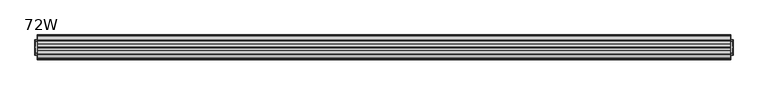
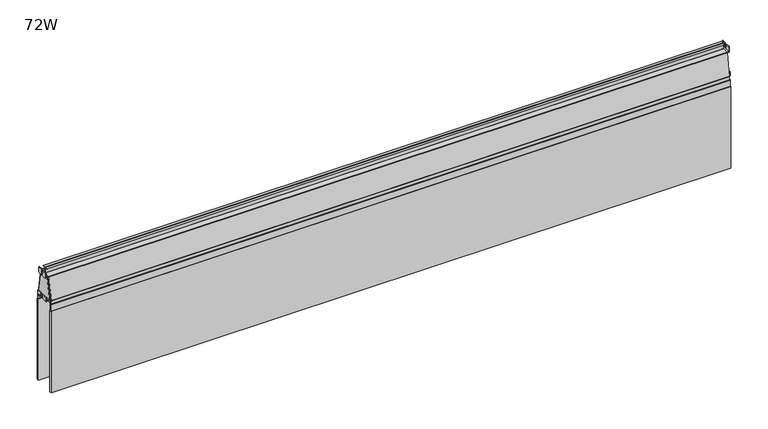
"""IFC4 building model written with IfcOpenShell, lengths in millimetres: furniture geometry, 72W."""

from ifc_helpers import new_model, si_unit, point, frame, frame_2d, origin, place, context, project, spatial, polyline, circle_curve, trimmed, segment, composite_curve, outline, extrude, source, transform, mapped, element, save
from ifc_brep_helpers import plane_surface, cylinder_surface, revolved_surface, advanced_brep


def furniture_72w_24902055(model_context):
    return source(origin(), model_context, "Body", "SolidModel", [
        extrude(outline(polyline([(1627.378, -62.4245382), (1631.7973142, -62.4245382), (1631.7973142, -102.4290731), (1627.378, -102.4290731), (1627.378, -62.4245382)])), frame((0.0, 0.0, 971.7621964), z_axis=(0.0, 0.0, 1.0), x_axis=(1.0, 0.0, 0.0)), (0.0, 0.0, 1.0), 2.2606178),
        extrude(outline(polyline([(1627.378, -67.9265279), (1631.7973142, -67.9265279), (1631.7973142, -96.8235489), (1627.378, -96.8235489), (1627.378, -67.9265279)])), frame((0.0, 0.0, 1033.6165755), z_axis=(0.0, 0.0, 1.0), x_axis=(1.0, 0.0, 0.0)), (0.0, 0.0, 1.0), 1.7477706),
        extrude(outline(composite_curve([segment(polyline([(-67.9265279, 1033.6165755), (-96.9270833, 1033.6165755), (-96.9270833, 1047.2712029)]), True, "CONTINUOUS"), segment(trimmed(circle_curve(frame_2d((-95.8530462, 1047.2712029)), 1.0740372), [point((-96.9270833, 1047.2712029))], [point((-95.8530462, 1048.3452401))], False, "CARTESIAN"), True, "CONTINUOUS"), segment(polyline([(-95.8530462, 1048.3452401), (-86.5848166, 1048.3452401)]), True, "CONTINUOUS"), segment(trimmed(circle_curve(frame_2d((-86.5848166, 1047.1882087)), 1.1570313), [point((-86.5848166, 1048.3452401))], [point((-85.4277852, 1047.1882087))], False, "CARTESIAN"), True, "CONTINUOUS"), segment(polyline([(-85.4277852, 1047.1882087), (-85.4277852, 1035.3644915), (-79.443513, 1035.3644915), (-79.443513, 1047.1627838)]), True, "CONTINUOUS"), segment(trimmed(circle_curve(frame_2d((-78.2610567, 1047.1627838)), 1.1824563), [point((-79.443513, 1047.1627838))], [point((-78.2610567, 1048.3452401))], False, "CARTESIAN"), True, "CONTINUOUS"), segment(polyline([(-78.2610567, 1048.3452401), (-68.8135699, 1048.3452401)]), True, "CONTINUOUS"), segment(trimmed(circle_curve(frame_2d((-68.8135699, 1047.4581981)), 0.887042), [point((-68.8135699, 1048.3452401))], [point((-67.9265279, 1047.4581981))], False, "CARTESIAN"), True, "CONTINUOUS"), segment(polyline([(-67.9265279, 1047.4581981), (-67.9265279, 1033.6165755)]), True, "CONTINUOUS")], self_intersect=False)), frame((1631.7973142, 0.0, 0.0), z_axis=(1.0, 0.0, 0.0), x_axis=(0.0, 1.0, 0.0)), (0.0, 0.0, 1.0), 1.4999084),
        extrude(outline(composite_curve([segment(polyline([(-76.0547241, 981.8412323), (-64.233104, 981.8412323)]), True, "CONTINUOUS"), segment(trimmed(circle_curve(frame_2d((-64.233104, 980.0326664)), 1.8085659), [point((-64.233104, 981.8412323))], [point((-62.4245382, 980.0326664))], False, "CARTESIAN"), True, "CONTINUOUS"), segment(polyline([(-62.4245382, 980.0326664), (-62.4245382, 971.7621964), (-82.4398102, 971.7621964), (-102.4290731, 971.7621964), (-102.4290731, 979.8046996)]), True, "CONTINUOUS"), segment(trimmed(circle_curve(frame_2d((-100.3925404, 979.8046996)), 2.0365327), [point((-102.4290731, 979.8046996))], [point((-100.3925404, 981.8412323))], False, "CARTESIAN"), True, "CONTINUOUS"), segment(polyline([(-100.3925404, 981.8412323), (-88.6513232, 981.8412323)]), True, "CONTINUOUS"), segment(trimmed(circle_curve(frame_2d((-88.6513232, 980.0617922)), 1.7794401), [point((-88.6513232, 981.8412323))], [point((-86.8718831, 980.0617922))], False, "CARTESIAN"), True, "CONTINUOUS"), segment(polyline([(-86.8718831, 980.0617922), (-86.8718831, 974.7655741), (-77.9817281, 974.7655741), (-77.9817281, 979.9142284)]), True, "CONTINUOUS"), segment(trimmed(circle_curve(frame_2d((-76.0547241, 979.9142284)), 1.9270039), [point((-77.9817281, 979.9142284))], [point((-76.0547241, 981.8412323))], False, "CARTESIAN"), True, "CONTINUOUS")], self_intersect=False)), frame((1631.7973142, 0.0, 0.0), z_axis=(1.0, 0.0, 0.0), x_axis=(0.0, 1.0, 0.0)), (0.0, 0.0, 1.0), 1.4999084),
        extrude(outline(polyline([(-150.622, -62.4245382), (-150.622, -102.4290731), (-155.0413142, -102.4290731), (-155.0413142, -62.4245382), (-150.622, -62.4245382)])), frame((0.0, 0.0, 971.7621964), z_axis=(0.0, 0.0, 1.0), x_axis=(1.0, 0.0, 0.0)), (0.0, 0.0, 1.0), 2.2606178),
        extrude(outline(polyline([(-150.622, -67.9265279), (-150.622, -96.8235489), (-155.0413142, -96.8235489), (-155.0413142, -67.9265279), (-150.622, -67.9265279)])), frame((0.0, 0.0, 1033.6165755), z_axis=(0.0, 0.0, 1.0), x_axis=(1.0, 0.0, 0.0)), (0.0, 0.0, 1.0), 1.7477706),
        extrude(outline(composite_curve([segment(polyline([(-67.9265279, 1033.6165755), (-96.9270833, 1033.6165755), (-96.9270833, 1047.2712029)]), True, "CONTINUOUS"), segment(trimmed(circle_curve(frame_2d((-95.8530462, 1047.2712029)), 1.0740372), [point((-96.9270833, 1047.2712029))], [point((-95.8530462, 1048.3452401))], False, "CARTESIAN"), True, "CONTINUOUS"), segment(polyline([(-95.8530462, 1048.3452401), (-86.5848166, 1048.3452401)]), True, "CONTINUOUS"), segment(trimmed(circle_curve(frame_2d((-86.5848166, 1047.1882087)), 1.1570313), [point((-86.5848166, 1048.3452401))], [point((-85.4277852, 1047.1882087))], False, "CARTESIAN"), True, "CONTINUOUS"), segment(polyline([(-85.4277852, 1047.1882087), (-85.4277852, 1035.3644915), (-79.443513, 1035.3644915), (-79.443513, 1047.1627838)]), True, "CONTINUOUS"), segment(trimmed(circle_curve(frame_2d((-78.2610567, 1047.1627838)), 1.1824563), [point((-79.443513, 1047.1627838))], [point((-78.2610567, 1048.3452401))], False, "CARTESIAN"), True, "CONTINUOUS"), segment(polyline([(-78.2610567, 1048.3452401), (-68.8135699, 1048.3452401)]), True, "CONTINUOUS"), segment(trimmed(circle_curve(frame_2d((-68.8135699, 1047.4581981)), 0.887042), [point((-68.8135699, 1048.3452401))], [point((-67.9265279, 1047.4581981))], False, "CARTESIAN"), True, "CONTINUOUS"), segment(polyline([(-67.9265279, 1047.4581981), (-67.9265279, 1033.6165755)]), True, "CONTINUOUS")], self_intersect=False)), frame((-156.5412227, 0.0, 0.0), z_axis=(1.0, 0.0, 0.0), x_axis=(0.0, 1.0, 0.0)), (0.0, 0.0, 1.0), 1.4999084),
        extrude(outline(composite_curve([segment(polyline([(-76.0547241, 981.8412323), (-64.233104, 981.8412323)]), True, "CONTINUOUS"), segment(trimmed(circle_curve(frame_2d((-64.233104, 980.0326664)), 1.8085659), [point((-64.233104, 981.8412323))], [point((-62.4245382, 980.0326664))], False, "CARTESIAN"), True, "CONTINUOUS"), segment(polyline([(-62.4245382, 980.0326664), (-62.4245382, 971.7621964), (-82.4398102, 971.7621964), (-102.4290731, 971.7621964), (-102.4290731, 979.8046996)]), True, "CONTINUOUS"), segment(trimmed(circle_curve(frame_2d((-100.3925404, 979.8046996)), 2.0365327), [point((-102.4290731, 979.8046996))], [point((-100.3925404, 981.8412323))], False, "CARTESIAN"), True, "CONTINUOUS"), segment(polyline([(-100.3925404, 981.8412323), (-88.6513232, 981.8412323)]), True, "CONTINUOUS"), segment(trimmed(circle_curve(frame_2d((-88.6513232, 980.0617922)), 1.7794401), [point((-88.6513232, 981.8412323))], [point((-86.8718831, 980.0617922))], False, "CARTESIAN"), True, "CONTINUOUS"), segment(polyline([(-86.8718831, 980.0617922), (-86.8718831, 974.7655741), (-77.9817281, 974.7655741), (-77.9817281, 979.9142284)]), True, "CONTINUOUS"), segment(trimmed(circle_curve(frame_2d((-76.0547241, 979.9142284)), 1.9270039), [point((-77.9817281, 979.9142284))], [point((-76.0547241, 981.8412323))], False, "CARTESIAN"), True, "CONTINUOUS")], self_intersect=False)), frame((-156.5412227, 0.0, 0.0), z_axis=(1.0, 0.0, 0.0), x_axis=(0.0, 1.0, 0.0)), (0.0, 0.0, 1.0), 1.4999084),
        extrude(outline(polyline([(-56.9970023, 971.7621964), (-107.8605404, 971.7621964), (-96.5348092, 1035.3644915), (-68.2124562, 1035.3644915), (-56.9970023, 971.7621964)])), frame((1625.7263308, 0.0, 0.0), z_axis=(1.0, 0.0, 0.0), x_axis=(0.0, 1.0, 0.0)), (0.0, 0.0, 1.0), 1.6516692),
        extrude(outline(polyline([(-56.9970023, 971.7621964), (-107.8605404, 971.7621964), (-96.5348351, 1035.3643461), (-68.2124305, 1035.3643461), (-56.9970023, 971.7621964)])), frame((-150.622, 0.0, 0.0), z_axis=(1.0, 0.0, 0.0), x_axis=(0.0, 1.0, 0.0)), (0.0, 0.0, 1.0), 1.6516692),
        advanced_brep(
        [(1625.7263308, -80.9976272, 1037.2195381), (1625.7263308, -81.5241475, 1037.7460584), (1625.7263308, -81.5241475, 1051.4672481), (1625.7263308, -81.0144007, 1051.9769949), (1625.7263308, -74.8842427, 1051.9769949), (1625.7263308, -74.8842427, 1052.8659668), (1625.7263308, -81.2494337, 1052.8659668), (1625.7263308, -82.4700881, 1051.6453124), (1625.7263308, -83.7221189, 1052.8659668), (1625.7263308, -90.0377005, 1052.8659668), (1625.7263308, -90.0377005, 1051.9769949), (1625.7263308, -83.9075425, 1051.9769949), (1625.7263308, -83.3977957, 1051.4672481), (1625.7263308, -83.3977957, 1037.7460584), (1625.7263308, -83.924316, 1037.2195381), (1625.7263308, -99.0759081, 1037.2195381), (1625.7263308, -100.326089, 1036.1705117), (1625.7263308, -110.7579884, 977.0082706), (1625.7263308, -109.096108, 975.5931057), (1625.7263308, -109.096108, 956.4729406), (1625.7263308, -107.5729451, 956.4729406), (1625.7263308, -107.5729451, 975.5229406), (1625.7263308, -57.2806661, 975.5229406), (1625.7263308, -57.2806661, 956.4729406), (1625.7263308, -55.7575032, 956.4729406), (1625.7263308, -55.7575032, 975.5715007), (1625.7263308, -54.1639548, 977.0082706), (1625.7263308, -64.5958542, 1036.1705117), (1625.7263308, -65.8460351, 1037.2195381), (1625.7263308, -66.0050637, 1036.3263319), (1625.7263308, -65.4476181, 1035.8585795), (1625.7263308, -55.0642662, 976.9716646), (1625.7263308, -55.5332832, 976.4127119), (1625.7263308, -109.38866, 976.4127119), (1625.7263308, -109.857677, 976.9716646), (1625.7263308, -99.4743251, 1035.8585795), (1625.7263308, -98.9168795, 1036.3263319), (1625.7263308, -83.6744208, 1036.3263319), (1625.7263308, -82.5014645, 1037.4992882), (1625.7263308, -81.2971318, 1036.3263319), (-148.9703308, -80.9976272, 1037.2195381), (-148.9703308, -65.8460351, 1037.2195381), (-148.9703308, -64.5958542, 1036.1705117), (-148.9703308, -54.1639548, 977.0082706), (-148.9703308, -55.7575032, 975.5715007), (-148.9703308, -55.7575032, 956.4729406), (-148.9703308, -57.2806661, 956.4729406), (-148.9703308, -57.2806661, 975.5229406), (-148.9703308, -107.5729451, 975.5229406), (-148.9703308, -107.5729451, 956.4729406), (-148.9703308, -109.096108, 956.4729406), (-148.9703308, -109.096108, 975.5931057), (-148.9703308, -110.7579884, 977.0082706), (-148.9703308, -100.326089, 1036.1705117), (-148.9703308, -99.0759081, 1037.2195381), (-148.9703308, -83.924316, 1037.2195381), (-148.9703308, -83.3977957, 1037.7460584), (-148.9703308, -83.3977957, 1051.4672481), (-148.9703308, -83.9075425, 1051.9769949), (-148.9703308, -90.0377005, 1051.9769949), (-148.9703308, -90.0377005, 1052.8659668), (-148.9703308, -83.7221189, 1052.8659668), (-148.9703308, -82.5014645, 1051.6453124), (-148.9703308, -81.2494337, 1052.8659668), (-148.9703308, -74.8842427, 1052.8659668), (-148.9703308, -74.8842427, 1051.9769949), (-148.9703308, -81.0144007, 1051.9769949), (-148.9703308, -81.5241475, 1051.4672481), (-148.9703308, -81.5241475, 1037.7460584), (-148.9703308, -66.0050637, 1036.3263319), (-148.9703308, -81.2971318, 1036.3263319), (-148.9703308, -82.4700881, 1037.4992882), (-148.9703308, -83.6744208, 1036.3263319), (-148.9703308, -98.9168795, 1036.3263319), (-148.9703308, -99.4743251, 1035.8585795), (-148.9703308, -109.857677, 976.9716646), (-148.9703308, -109.38866, 976.4127119), (-148.9703308, -55.5332832, 976.4127119), (-148.9703308, -55.0642662, 976.9716646), (-148.9703308, -65.4476181, 1035.8585795)],
        [
            (0, 1, circle_curve(frame((1625.7263308, -80.9976272, 1037.7460584), z_axis=(-1.0, 0.0, 0.0), x_axis=(0.0, 1.0, 0.0)), 0.5265203)),
            (1, 2),
            (2, 3, circle_curve(frame((1625.7263308, -81.0144007, 1051.4672481), z_axis=(-1.0, 0.0, 0.0), x_axis=(0.0, 1.0, 0.0)), 0.5097468)),
            (3, 4),
            (4, 5),
            (5, 6),
            (6, 7, circle_curve(frame((1625.7263308, -81.2494337, 1051.6453124), z_axis=(1.0, 0.0, 0.0), x_axis=(0.0, 1.0, 0.0)), 1.2206544)),
            (7, 8, circle_curve(frame((1625.7263308, -83.7221189, 1051.6453124), z_axis=(1.0, 0.0, 0.0), x_axis=(0.0, 1.0, 0.0)), 1.2206544)),
            (8, 9),
            (9, 10),
            (10, 11),
            (11, 12, circle_curve(frame((1625.7263308, -83.9075425, 1051.4672481), z_axis=(-1.0, 0.0, 0.0), x_axis=(0.0, 1.0, 0.0)), 0.5097468)),
            (12, 13),
            (13, 14, circle_curve(frame((1625.7263308, -83.924316, 1037.7460584), z_axis=(-1.0, 0.0, 0.0), x_axis=(0.0, 1.0, 0.0)), 0.5265203)),
            (14, 15),
            (15, 16, circle_curve(frame((1625.7263308, -99.0759081, 1035.9500711), z_axis=(1.0, 0.0, 0.0), x_axis=(0.0, 1.0, 0.0)), 1.269467)),
            (16, 17),
            (17, 18, circle_curve(frame((1625.7263308, -109.5116486, 976.7885072), z_axis=(1.0, 0.0, 0.0), x_axis=(0.0, 1.0, 0.0)), 1.2655666)),
            (18, 19),
            (19, 20),
            (20, 21),
            (21, 22),
            (22, 23),
            (23, 24),
            (24, 25),
            (25, 26, circle_curve(frame((1625.7263308, -55.4102946, 976.7885072), z_axis=(1.0, 0.0, 0.0), x_axis=(0.0, 1.0, 0.0)), 1.2655666)),
            (26, 27),
            (27, 28, circle_curve(frame((1625.7263308, -65.8460351, 1035.9500711), z_axis=(1.0, 0.0, 0.0), x_axis=(0.0, 1.0, 0.0)), 1.269467)),
            (28, 0),
            (29, 30, circle_curve(frame((1625.7263308, -66.0050637, 1035.7602868), z_axis=(-1.0, 0.0, 0.0), x_axis=(0.0, 1.0, 0.0)), 0.5660451)),
            (30, 31),
            (31, 32, circle_curve(frame((1625.7263308, -55.5332832, 976.8889643), z_axis=(-1.0, 0.0, 0.0), x_axis=(0.0, 1.0, 0.0)), 0.4762524)),
            (32, 33),
            (33, 34, circle_curve(frame((1625.7263308, -109.38866, 976.8889643), z_axis=(-1.0, 0.0, 0.0), x_axis=(0.0, 1.0, 0.0)), 0.4762524)),
            (34, 35),
            (35, 36, circle_curve(frame((1625.7263308, -98.9168795, 1035.7602868), z_axis=(-1.0, 0.0, 0.0), x_axis=(0.0, 1.0, 0.0)), 0.5660451)),
            (36, 37),
            (37, 38, circle_curve(frame((1625.7263308, -83.6744208, 1037.4992882), z_axis=(1.0, 0.0, 0.0), x_axis=(0.0, 1.0, 0.0)), 1.1729562)),
            (38, 39, circle_curve(frame((1625.7263308, -81.2971318, 1037.4992882), z_axis=(1.0, 0.0, 0.0), x_axis=(0.0, 1.0, 0.0)), 1.1729562)),
            (39, 29),
            (40, 41),
            (41, 42, circle_curve(frame((-148.9703308, -65.8460351, 1035.9500711), z_axis=(-1.0, 0.0, 0.0), x_axis=(0.0, 1.0, 0.0)), 1.269467)),
            (42, 43),
            (43, 44, circle_curve(frame((-148.9703308, -55.4102946, 976.7885072), z_axis=(-1.0, 0.0, 0.0), x_axis=(0.0, 1.0, 0.0)), 1.2655666)),
            (44, 45),
            (45, 46),
            (46, 47),
            (47, 48),
            (48, 49),
            (49, 50),
            (50, 51),
            (51, 52, circle_curve(frame((-148.9703308, -109.5116486, 976.7885072), z_axis=(-1.0, 0.0, 0.0), x_axis=(0.0, 1.0, 0.0)), 1.2655666)),
            (52, 53),
            (53, 54, circle_curve(frame((-148.9703308, -99.0759081, 1035.9500711), z_axis=(-1.0, 0.0, 0.0), x_axis=(0.0, 1.0, 0.0)), 1.269467)),
            (54, 55),
            (55, 56, circle_curve(frame((-148.9703308, -83.924316, 1037.7460584), z_axis=(1.0, 0.0, 0.0), x_axis=(0.0, 1.0, 0.0)), 0.5265203)),
            (56, 57),
            (57, 58, circle_curve(frame((-148.9703308, -83.9075425, 1051.4672481), z_axis=(1.0, 0.0, 0.0), x_axis=(0.0, 1.0, 0.0)), 0.5097468)),
            (58, 59),
            (59, 60),
            (60, 61),
            (61, 62, circle_curve(frame((-148.9703308, -83.7221189, 1051.6453124), z_axis=(-1.0, 0.0, 0.0), x_axis=(0.0, 1.0, 0.0)), 1.2206544)),
            (62, 63, circle_curve(frame((-148.9703308, -81.2494337, 1051.6453124), z_axis=(-1.0, 0.0, 0.0), x_axis=(0.0, 1.0, 0.0)), 1.2206544)),
            (63, 64),
            (64, 65),
            (65, 66),
            (66, 67, circle_curve(frame((-148.9703308, -81.0144007, 1051.4672481), z_axis=(1.0, 0.0, 0.0), x_axis=(0.0, 1.0, 0.0)), 0.5097468)),
            (67, 68),
            (68, 40, circle_curve(frame((-148.9703308, -80.9976272, 1037.7460584), z_axis=(1.0, 0.0, 0.0), x_axis=(0.0, 1.0, 0.0)), 0.5265203)),
            (69, 70),
            (70, 71, circle_curve(frame((-148.9703308, -81.2971318, 1037.4992882), z_axis=(-1.0, 0.0, 0.0), x_axis=(0.0, 1.0, 0.0)), 1.1729562)),
            (71, 72, circle_curve(frame((-148.9703308, -83.6744208, 1037.4992882), z_axis=(-1.0, 0.0, 0.0), x_axis=(0.0, 1.0, 0.0)), 1.1729562)),
            (72, 73),
            (73, 74, circle_curve(frame((-148.9703308, -98.9168795, 1035.7602868), z_axis=(1.0, 0.0, 0.0), x_axis=(0.0, 1.0, 0.0)), 0.5660451)),
            (74, 75),
            (75, 76, circle_curve(frame((-148.9703308, -109.38866, 976.8889643), z_axis=(1.0, 0.0, 0.0), x_axis=(0.0, 1.0, 0.0)), 0.4762524)),
            (76, 77),
            (77, 78, circle_curve(frame((-148.9703308, -55.5332832, 976.8889643), z_axis=(1.0, 0.0, 0.0), x_axis=(0.0, 1.0, 0.0)), 0.4762524)),
            (78, 79),
            (79, 69, circle_curve(frame((-148.9703308, -66.0050637, 1035.7602868), z_axis=(1.0, 0.0, 0.0), x_axis=(0.0, 1.0, 0.0)), 0.5660451)),
            (0, 40),
            (68, 1),
            (67, 2),
            (66, 3),
            (65, 4),
            (64, 5),
            (63, 6),
            (62, 7),
            (61, 8),
            (60, 9),
            (59, 10),
            (58, 11),
            (57, 12),
            (56, 13),
            (55, 14),
            (54, 15),
            (53, 16),
            (52, 17),
            (51, 18),
            (50, 19),
            (49, 20),
            (48, 21),
            (47, 22),
            (46, 23),
            (45, 24),
            (44, 25),
            (43, 26),
            (42, 27),
            (41, 28),
            (29, 69),
            (79, 30),
            (78, 31),
            (77, 32),
            (76, 33),
            (75, 34),
            (74, 35),
            (73, 36),
            (72, 37),
            (71, 38),
            (70, 39),
        ],
        [
            plane_surface(frame((1625.7263308, -80.4711069, 1037.7460584), z_axis=(1.0, 0.0, 0.0), x_axis=(0.0, 0.0, -1.0))),
            plane_surface(frame((-148.9703308, -80.4711069, 1037.7460584), z_axis=(-1.0, 0.0, 0.0), x_axis=(0.0, 0.0, 1.0))),
            revolved_surface(polyline([(-148.9703308, -80.4711069, 1037.7460584), (1625.7263308, -80.4711069, 1037.7460584)]), (-148.9703308, -80.9976272, 1037.7460584), (-1.0, 0.0, 0.0)),
            plane_surface(frame((1625.7263308, -81.5241475, 1037.7460584), z_axis=(0.0, 1.0, 0.0), x_axis=(-1.0, 0.0, 0.0))),
            revolved_surface(polyline([(-148.9703308, -80.5046539, 1051.4672481), (1625.7263308, -80.5046539, 1051.4672481)]), (-148.9703308, -81.0144007, 1051.4672481), (-1.0, 0.0, 0.0)),
            plane_surface(frame((1625.7263308, -81.0144007, 1051.9769949), z_axis=(0.0, 0.0, -1.0), x_axis=(-1.0, 0.0, 0.0))),
            plane_surface(frame((1625.7263308, -74.8842427, 1051.9769949), z_axis=(0.0, 1.0, 0.0), x_axis=(-1.0, 0.0, 0.0))),
            plane_surface(frame((1625.7263308, -74.8842427, 1052.8659668), z_axis=(0.0, 0.0, 1.0), x_axis=(-1.0, 0.0, 0.0))),
            cylinder_surface(frame((-148.9703308, -81.2494337, 1051.6453124), z_axis=(1.0, 0.0, 0.0), x_axis=(0.0, 1.0, 0.0)), 1.2206544),
            cylinder_surface(frame((-148.9703308, -83.7221189, 1051.6453124), z_axis=(1.0, 0.0, 0.0), x_axis=(0.0, 1.0, 0.0)), 1.2206544),
            plane_surface(frame((1625.7263308, -83.7221189, 1052.8659668), z_axis=(0.0, 0.0, 1.0), x_axis=(-1.0, 0.0, 0.0))),
            plane_surface(frame((1625.7263308, -90.0377005, 1052.8659668), z_axis=(0.0, -1.0, 0.0), x_axis=(-1.0, 0.0, 0.0))),
            plane_surface(frame((1625.7263308, -90.0377005, 1051.9769949), z_axis=(0.0, 0.0, -1.0), x_axis=(-1.0, 0.0, 0.0))),
            revolved_surface(polyline([(-148.9703308, -83.3977957, 1051.4672481), (1625.7263308, -83.3977957, 1051.4672481)]), (-148.9703308, -83.9075425, 1051.4672481), (-1.0, 0.0, 0.0)),
            plane_surface(frame((1625.7263308, -83.3977957, 1051.4672481), z_axis=(0.0, -1.0, 0.0), x_axis=(-1.0, 0.0, 0.0))),
            revolved_surface(polyline([(-148.9703308, -83.3977957, 1037.7460584), (1625.7263308, -83.3977957, 1037.7460584)]), (-148.9703308, -83.924316, 1037.7460584), (-1.0, 0.0, 0.0)),
            plane_surface(frame((1625.7263308, -83.924316, 1037.2195381), z_axis=(0.0, 0.0, 1.0), x_axis=(-1.0, 0.0, 0.0))),
            cylinder_surface(frame((-148.9703308, -99.0759081, 1035.9500711), z_axis=(1.0, 0.0, 0.0), x_axis=(0.0, 1.0, 0.0)), 1.269467),
            plane_surface(frame((1625.7263308, -100.326089, 1036.1705117), z_axis=(0.0, -0.9848077530122085, 0.17364817766692855), x_axis=(-1.0, 0.0, 0.0))),
            cylinder_surface(frame((-148.9703308, -109.5116486, 976.7885072), z_axis=(1.0, 0.0, 0.0), x_axis=(0.0, 1.0, 0.0)), 1.2655666),
            plane_surface(frame((1625.7263308, -109.096108, 975.5931057), z_axis=(0.0, -1.0, 0.0), x_axis=(-1.0, 0.0, 0.0))),
            plane_surface(frame((1625.7263308, -109.096108, 956.4729406), z_axis=(0.0, 0.0, -1.0), x_axis=(-1.0, 0.0, 0.0))),
            plane_surface(frame((1625.7263308, -107.5729451, 956.4729406), z_axis=(0.0, 1.0, 0.0), x_axis=(-1.0, 0.0, 0.0))),
            plane_surface(frame((1625.7263308, -107.5729451, 975.5229406), z_axis=(0.0, 0.0, -1.0), x_axis=(-1.0, 0.0, 0.0))),
            plane_surface(frame((1625.7263308, -57.2806661, 975.5229406), z_axis=(0.0, -1.0, 0.0), x_axis=(-1.0, 0.0, 0.0))),
            plane_surface(frame((1625.7263308, -57.2806661, 956.4729406), z_axis=(0.0, 0.0, -1.0), x_axis=(-1.0, 0.0, 0.0))),
            plane_surface(frame((1625.7263308, -55.7575032, 956.4729406), z_axis=(0.0, 1.0, 0.0), x_axis=(-1.0, 0.0, 0.0))),
            cylinder_surface(frame((-148.9703308, -55.4102946, 976.7885072), z_axis=(1.0, 0.0, 0.0), x_axis=(0.0, 1.0, 0.0)), 1.2655666),
            plane_surface(frame((1625.7263308, -54.1639548, 977.0082706), z_axis=(0.0, 0.9848077530122082, 0.17364817766692972), x_axis=(-1.0, 0.0, 0.0))),
            cylinder_surface(frame((-148.9703308, -65.8460351, 1035.9500711), z_axis=(1.0, 0.0, 0.0), x_axis=(0.0, 1.0, 0.0)), 1.269467),
            plane_surface(frame((1625.7263308, -65.8460351, 1037.2195381), z_axis=(0.0, 0.0, 1.0), x_axis=(-1.0, 0.0, 0.0))),
            revolved_surface(polyline([(-148.9703308, -65.4390186, 1035.7602868), (1625.7263308, -65.4390186, 1035.7602868)]), (-150.622, -66.0050637, 1035.7602868), (-1.0, 0.0, 0.0)),
            plane_surface(frame((1625.7263308, -65.4476181, 1035.8585795), z_axis=(0.0, -0.9848077530122085, -0.17364817766692806), x_axis=(-1.0, 0.0, 0.0))),
            revolved_surface(polyline([(-148.9703308, -55.0570308, 976.8889643), (1625.7263308, -55.0570308, 976.8889643)]), (-150.622, -55.5332832, 976.8889643), (-1.0, 0.0, 0.0)),
            plane_surface(frame((1625.7263308, -55.5332832, 976.4127119), z_axis=(0.0, 0.0, 1.0), x_axis=(-1.0, 0.0, 0.0))),
            revolved_surface(polyline([(-148.9703308, -108.9124076, 976.8889643), (1625.7263308, -108.9124076, 976.8889643)]), (-150.622, -109.38866, 976.8889643), (-1.0, 0.0, 0.0)),
            plane_surface(frame((1625.7263308, -109.857677, 976.9716646), z_axis=(0.0, 0.9848077530122087, -0.17364817766692708), x_axis=(-1.0, 0.0, 0.0))),
            revolved_surface(polyline([(-148.9703308, -98.3508344, 1035.7602868), (1625.7263308, -98.3508344, 1035.7602868)]), (-150.622, -98.9168795, 1035.7602868), (-1.0, 0.0, 0.0)),
            plane_surface(frame((1625.7263308, -98.9168795, 1036.3263319), z_axis=(0.0, 0.0, -1.0), x_axis=(-1.0, 0.0, 0.0))),
            cylinder_surface(frame((-150.622, -83.6744208, 1037.4992882), z_axis=(1.0, 0.0, 0.0), x_axis=(0.0, 1.0, 0.0)), 1.1729562),
            cylinder_surface(frame((-150.622, -81.2971318, 1037.4992882), z_axis=(1.0, 0.0, 0.0), x_axis=(0.0, 1.0, 0.0)), 1.1729562),
            plane_surface(frame((1625.7263308, -81.2971318, 1036.3263319), z_axis=(0.0, 0.0, -1.0), x_axis=(-1.0, 0.0, 0.0))),
        ],
        [
            (0, [[1, 2, 3, 4, 5, 6, 7, 8, 9, 10, 11, 12, 13, 14, 15, 16, 17, 18, 19, 20, 21, 22, 23, 24, 25, 26, 27, 28, 29], [30, 31, 32, 33, 34, 35, 36, 37, 38, 39, 40]]),
            (1, [[41, 42, 43, 44, 45, 46, 47, 48, 49, 50, 51, 52, 53, 54, 55, 56, 57, 58, 59, 60, 61, 62, 63, 64, 65, 66, 67, 68, 69], [70, 71, 72, 73, 74, 75, 76, 77, 78, 79, 80]]),
            (2, [[-1, 81, -69, 82]]),
            (3, [[-2, -82, -68, 83]]),
            (4, [[-3, -83, -67, 84]]),
            (5, [[-4, -84, -66, 85]]),
            (6, [[-5, -85, -65, 86]]),
            (7, [[-6, -86, -64, 87]]),
            (8, [[-7, -87, -63, 88]]),
            (9, [[-8, -88, -62, 89]]),
            (10, [[-9, -89, -61, 90]]),
            (11, [[-10, -90, -60, 91]]),
            (12, [[-11, -91, -59, 92]]),
            (13, [[-12, -92, -58, 93]]),
            (14, [[-13, -93, -57, 94]]),
            (15, [[-14, -94, -56, 95]]),
            (16, [[-15, -95, -55, 96]]),
            (17, [[-16, -96, -54, 97]]),
            (18, [[-17, -97, -53, 98]]),
            (19, [[-18, -98, -52, 99]]),
            (20, [[-19, -99, -51, 100]]),
            (21, [[-20, -100, -50, 101]]),
            (22, [[-21, -101, -49, 102]]),
            (23, [[-22, -102, -48, 103]]),
            (24, [[-23, -103, -47, 104]]),
            (25, [[-24, -104, -46, 105]]),
            (26, [[-25, -105, -45, 106]]),
            (27, [[-26, -106, -44, 107]]),
            (28, [[-27, -107, -43, 108]]),
            (29, [[-28, -108, -42, 109]]),
            (30, [[-29, -109, -41, -81]]),
            (31, [[-30, 110, -80, 111]]),
            (32, [[-31, -111, -79, 112]]),
            (33, [[-32, -112, -78, 113]]),
            (34, [[-33, -113, -77, 114]]),
            (35, [[-34, -114, -76, 115]]),
            (36, [[-35, -115, -75, 116]]),
            (37, [[-36, -116, -74, 117]]),
            (38, [[-37, -117, -73, 118]]),
            (39, [[-38, -118, -72, 119]]),
            (40, [[-39, -119, -71, 120]]),
            (41, [[-40, -120, -70, -110]]),
        ],
    ),
        extrude(outline(polyline([(-54.1343465, 967.1858042), (-52.6693197, 967.1858042), (-52.6693197, 949.6150017), (-50.6089803, 949.6150017), (-50.6089803, 724.5711073), (-56.1923604, 724.5711073), (-56.1923604, 949.6150017), (-54.1343465, 949.6150017), (-54.1343465, 967.1858042)])), frame((-150.622, 0.0, 0.0), z_axis=(1.0, 0.0, 0.0), x_axis=(0.0, 1.0, 0.0)), (0.0, 0.0, 1.0), 1778.0),
        extrude(outline(polyline([(-110.7215902, 967.1858042), (-110.7215902, 949.6150017), (-108.6635762, 949.6150017), (-108.6635762, 724.5711073), (-114.2469564, 724.5711073), (-114.2469564, 949.6150017), (-112.186617, 949.6150017), (-112.186617, 967.1858042), (-110.7215902, 967.1858042)])), frame((-150.622, 0.0, 0.0), z_axis=(1.0, 0.0, 0.0), x_axis=(0.0, 1.0, 0.0)), (0.0, 0.0, 1.0), 1778.0),
    ])


if __name__ == "__main__":
    model = new_model("IFC4")
    model_context = context("Model", 3, world=origin())
    ifc_project = project(units=[si_unit("LENGTHUNIT", "METRE", prefix="MILLI")], contexts=[model_context])
    site = spatial("IfcSite", under=ifc_project)
    building = spatial("IfcBuilding", under=site)
    placement = place(None, origin())
    furniture_72w_shape = furniture_72w_24902055(model_context)
    element("IfcFurniture", 1, ObjectType="72W", at=placement, inside=building, context=model_context, shape_type="MappedRepresentation", body=[
        mapped(furniture_72w_shape, transform((0.0, 0.0, 0.0), x_axis=(1.0, 0.0, 0.0), y_axis=(0.0, 1.0, 0.0), z_axis=(0.0, 0.0, 1.0))),
    ])
    save(model, "model.ifc")
